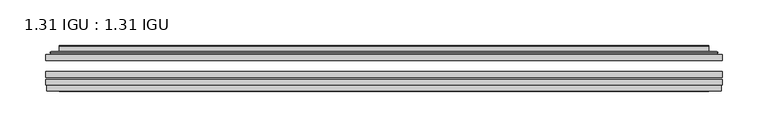
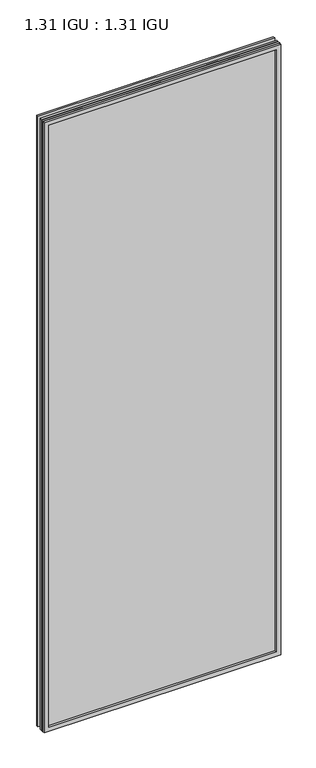
"""IFC4 building model written with IfcOpenShell, lengths in millimetres: plate geometry, 1.31 IGU : 1.31 IGU."""

import ifcopenshell
import ifcopenshell.guid

model = None  # the IFC model being written
_history = None  # IfcOwnerHistory: only IFC2X3 demands one
_inside = {}  # id of a spatial element -> (the spatial element, [elements in it])
_under = {}  # id of a project, library or spatial element -> (it, [spatial elements below it])
_declared = {}  # id of a project -> (the project, [libraries it declares])
_typed = {}  # id of a type object -> (the type object, [elements of that type])
_made_of = {}  # id of a material, layer set ... -> (it, [elements and type objects made of it])


def new_model(schema):
    """Start an empty IFC model of exactly this schema.

    Asked for "IFC4X3", IfcOpenShell would pick the latest addendum, in which some entities
    have other attributes; the version numbers below select the first issue.
    IFC2X3 requires an IfcOwnerHistory on every rooted entity: one is made here for all.
    """
    global model, _history
    if schema == "IFC4X3":
        model = ifcopenshell.file(schema_version=(4, 3, 0, 0))
    else:
        model = ifcopenshell.file(schema=schema)
    _inside.clear()
    _under.clear()
    _declared.clear()
    _typed.clear()
    _made_of.clear()
    _history = None
    if model.schema == "IFC2X3":
        org = make("IfcOrganization", Name="unknown")
        user = make(
            "IfcPersonAndOrganization",
            ThePerson=make("IfcPerson", FamilyName="unknown"),
            TheOrganization=org,
        )
        app = make(
            "IfcApplication",
            ApplicationDeveloper=org,
            Version="unknown",
            ApplicationFullName="unknown",
            ApplicationIdentifier="unknown",
        )
        _history = make(
            "IfcOwnerHistory",
            OwningUser=user,
            OwningApplication=app,
            ChangeAction="ADDED",
            CreationDate=0,
        )
    return model


def make(cls, **values):
    """One entity of the class cls with the attributes given. An attribute that is None is left unset."""
    return model.create_entity(
        cls, **{name: value for name, value in values.items() if value is not None}
    )


def rooted(cls, **values):
    """An entity with a GlobalId (a new one), such as an element, a storey or a relation."""
    return make(cls, GlobalId=ifcopenshell.guid.new(), OwnerHistory=_history, **values)


def si_unit(unit_type, name, prefix=None):
    """IfcSIUnit, for example si_unit("LENGTHUNIT", "METRE", prefix="MILLI")."""
    return make("IfcSIUnit", UnitType=unit_type, Prefix=prefix, Name=name)


def assignment(units):
    """IfcUnitAssignment: the units of a project."""
    return None if units is None else make("IfcUnitAssignment", Units=units)


def point(xyz):
    """IfcCartesianPoint."""
    return None if xyz is None else make("IfcCartesianPoint", Coordinates=xyz)


def direction(xyz):
    """IfcDirection."""
    return None if xyz is None else make("IfcDirection", DirectionRatios=xyz)


def frame(location, z_axis=None, x_axis=None):
    """IfcAxis2Placement3D, a coordinate frame: its origin and axes. An axis left out is left unset."""
    return make(
        "IfcAxis2Placement3D",
        Location=point(location),
        Axis=direction(z_axis),
        RefDirection=direction(x_axis),
    )


def origin():
    """The frame at (0, 0, 0) with its axes left unset."""
    return frame((0.0, 0.0, 0.0))


def place(relative_to, where):
    """IfcLocalPlacement: puts the frame where relative to a parent placement (None: the world)."""
    return make(
        "IfcLocalPlacement", PlacementRelTo=relative_to, RelativePlacement=where
    )


def context(
    kind, dimensions, precision=None, world=None, true_north=None, identifier=None
):
    """IfcGeometricRepresentationContext, for example the 3D "Model" context."""
    return make(
        "IfcGeometricRepresentationContext",
        ContextIdentifier=identifier,
        ContextType=kind,
        CoordinateSpaceDimension=dimensions,
        Precision=precision,
        WorldCoordinateSystem=world,
        TrueNorth=true_north,
    )


def project(units=None, contexts=None):
    """IfcProject with its units and contexts."""
    return rooted(
        "IfcProject",
        Name="project",
        RepresentationContexts=contexts,
        UnitsInContext=assignment(units),
    )


def spatial(cls, under=None, at=None, **own):
    """A site, building, storey or space (cls), placed at a placement, below another one or the project."""
    s = rooted(cls, ObjectPlacement=at, **own)
    if under is not None:
        _under.setdefault(under.id(), (under, []))[1].append(s)
    return s


def polyline(points):
    """IfcPolyline through the points."""
    return make("IfcPolyline", Points=[point(p) for p in points])


def ellipse_curve(where, semi_axis1, semi_axis2):
    """IfcEllipse in the frame where."""
    return make(
        "IfcEllipse", Position=where, SemiAxis1=semi_axis1, SemiAxis2=semi_axis2
    )


def outline(outer, holes=None, kind="AREA"):
    """IfcArbitraryClosedProfileDef: a profile drawn as a closed curve; with holes, ...WithVoids."""
    if holes is None:
        return make("IfcArbitraryClosedProfileDef", ProfileType=kind, OuterCurve=outer)
    return make(
        "IfcArbitraryProfileDefWithVoids",
        ProfileType=kind,
        OuterCurve=outer,
        InnerCurves=holes,
    )


def extrude(swept, where, along, depth):
    """IfcExtrudedAreaSolid: the profile swept, set in the frame where, extruded along a direction by depth."""
    return make(
        "IfcExtrudedAreaSolid",
        SweptArea=swept,
        Position=where,
        ExtrudedDirection=direction(along),
        Depth=depth,
    )


def faces_of(points, faces, orient=None, outer=None):
    """IfcFace entities. A face is a list of loops; a loop is a list of indices into points, from 0.

    orient and outer hold one flag for each loop. By default every Orientation is true, the
    first loop of a face is its IfcFaceOuterBound and the others are IfcFaceBound.
    """
    made = []
    for i, loops in enumerate(faces):
        bounds = []
        for j, loop in enumerate(loops):
            is_outer = j == 0 if outer is None else outer[i][j]
            bounds.append(
                make(
                    "IfcFaceOuterBound" if is_outer else "IfcFaceBound",
                    Bound=make("IfcPolyLoop", Polygon=[points[k] for k in loop]),
                    Orientation=True if orient is None else orient[i][j],
                )
            )
        made.append(make("IfcFace", Bounds=bounds))
    return made


def faceted_brep(points, faces, orient=None, outer=None, voids=None):
    """IfcFacetedBrep: a solid bounded by flat faces; with voids (closed shells), ...WithVoids."""
    shared = [point(p) for p in points]
    hull = make("IfcClosedShell", CfsFaces=faces_of(shared, faces, orient, outer))
    if voids is None:
        return make("IfcFacetedBrep", Outer=hull)
    return make(
        "IfcFacetedBrepWithVoids",
        Outer=hull,
        Voids=[
            make(cls, CfsFaces=faces_of(shared, fs, o, b)) for cls, fs, o, b in voids
        ],
    )


def shape(context_of_items, identifier, shape_type, items):
    """IfcShapeRepresentation: the items that make up one representation, for example the "Body"."""
    return make(
        "IfcShapeRepresentation",
        ContextOfItems=context_of_items,
        RepresentationIdentifier=identifier,
        RepresentationType=shape_type,
        Items=items,
    )


def source(mapping_origin, context_of_items, identifier, shape_type, items):
    """IfcRepresentationMap: a shape defined once, which mapped items show again and again."""
    return make(
        "IfcRepresentationMap",
        MappingOrigin=mapping_origin,
        MappedRepresentation=shape(context_of_items, identifier, shape_type, items),
    )


def transform(
    local_origin,
    x_axis=None,
    y_axis=None,
    z_axis=None,
    scale=None,
    scale2=None,
    scale3=None,
    uniform=True,
):
    """IfcCartesianTransformationOperator3D, or its non-uniform kind. x_axis, y_axis, z_axis: its Axis1, 2, 3."""
    if uniform:
        return make(
            "IfcCartesianTransformationOperator3D",
            Axis1=direction(x_axis),
            Axis2=direction(y_axis),
            LocalOrigin=point(local_origin),
            Scale=scale,
            Axis3=direction(z_axis),
        )
    return make(
        "IfcCartesianTransformationOperator3DnonUniform",
        Axis1=direction(x_axis),
        Axis2=direction(y_axis),
        LocalOrigin=point(local_origin),
        Scale=scale,
        Axis3=direction(z_axis),
        Scale2=scale2,
        Scale3=scale3,
    )


def mapped(mapping_source, mapping_target):
    """IfcMappedItem: shows the shape of a source again, moved by a transform."""
    return make(
        "IfcMappedItem", MappingSource=mapping_source, MappingTarget=mapping_target
    )


def made_of(thing, what):
    """Note that an element or type object is made of a material, layer set ...; save() writes the relation."""
    if what is not None:
        _made_of.setdefault(what.id(), (what, []))[1].append(thing)
    return thing


def element(
    cls,
    number,
    at=None,
    inside=None,
    cuts=None,
    type_object=None,
    material=None,
    context=None,
    identifier="Body",
    shape_type=None,
    held_by="IfcProductDefinitionShape",
    body=None,
    shapes=None,
    **own,
):
    """One element of the class cls, such as IfcWall. Its Tag is "e" and its number.

    at: its placement. inside: the storey or other place that contains it. cuts: it is an
    opening in that element (IfcRelVoidsElement). A single representation is given by context,
    identifier, shape_type and body (its items); several are given by shapes. held_by: the class
    of the entity that holds the representations. save() writes the other relations.
    """
    e = rooted(cls, Tag="e%d" % number, ObjectPlacement=at, **own)
    if body is not None:
        shapes = [shape(context, identifier, shape_type, body)]
    if shapes is not None:
        e.Representation = make(held_by, Representations=shapes)
    if inside is not None:
        _inside.setdefault(inside.id(), (inside, []))[1].append(e)
    if cuts is not None:
        rooted(
            "IfcRelVoidsElement", RelatingBuildingElement=cuts, RelatedOpeningElement=e
        )
    if type_object is not None:
        _typed.setdefault(type_object.id(), (type_object, []))[1].append(e)
    return made_of(e, material)


def aggregate(whole, parts):
    """IfcRelAggregates: a whole, such as a stair, and the parts it consists of."""
    return rooted("IfcRelAggregates", RelatingObject=whole, RelatedObjects=parts)


def save(model, path):
    """Write the relations noted so far, then the file.

    IfcRelAggregates (storeys below a building ...), IfcRelContainedInSpatialStructure (elements
    in a storey), IfcRelDefinesByType, IfcRelAssociatesMaterial and IfcRelDeclares: one each for
    every whole, place, type object, material and project.
    """
    for whole, parts in _under.values():
        aggregate(whole, parts)
    for where, things in _inside.values():
        rooted(
            "IfcRelContainedInSpatialStructure",
            RelatedElements=things,
            RelatingStructure=where,
        )
    for kind, things in _typed.values():
        rooted("IfcRelDefinesByType", RelatedObjects=things, RelatingType=kind)
    for what, things in _made_of.values():
        rooted("IfcRelAssociatesMaterial", RelatedObjects=things, RelatingMaterial=what)
    for by, libraries in _declared.values():
        rooted("IfcRelDeclares", RelatingContext=by, RelatedDefinitions=libraries)
    model.write(path)


def plane_surface(at):
    """IfcPlane: the flat surface through the origin of the frame at, square to its z axis."""
    return make("IfcPlane", Position=at)


def cylinder_surface(at, radius):
    """IfcCylindricalSurface: all points at the distance radius from the z axis of the frame at."""
    return make("IfcCylindricalSurface", Position=at, Radius=radius)


def advanced_brep(points, edges, surfaces, faces):
    """IfcAdvancedBrep: a solid bounded by faces that lie on surfaces and meet in shared edges.

    An edge is (start, end): straight between two places in points (the first is 0);
    or (start, end, curve); or (start, end, curve, False) where it runs against its curve.
    A face is (place in surfaces, loops), or (place, loops, False) where it looks against
    its surface's normal. A loop lists edges by number (the first is 1), with a minus sign
    where the edge is run from its end to its start. The first loop is the outer one.
    """
    corners = [point(p) for p in points]
    vertices = [make("IfcVertexPoint", VertexGeometry=c) for c in corners]
    made = []
    for start, end, *more in edges:
        made.append(
            make(
                "IfcEdgeCurve",
                EdgeStart=vertices[start],
                EdgeEnd=vertices[end],
                EdgeGeometry=more[0] if more else make("IfcPolyline", Points=[corners[start], corners[end]]),
                SameSense=more[1] if len(more) > 1 else True,
            )
        )
    hull = []
    for where, loops, *sense in faces:
        bounds = []
        for j, loop in enumerate(loops):
            ring = [make("IfcOrientedEdge", EdgeElement=made[abs(k) - 1], Orientation=k > 0) for k in loop]
            bounds.append(
                make(
                    "IfcFaceOuterBound" if j == 0 else "IfcFaceBound",
                    Bound=make("IfcEdgeLoop", EdgeList=ring),
                    Orientation=True,
                )
            )
        hull.append(make("IfcAdvancedFace", Bounds=bounds, FaceSurface=surfaces[where], SameSense=sense[0] if sense else True))
    return make("IfcAdvancedBrep", Outer=make("IfcClosedShell", CfsFaces=hull))


def plate_1_31_igu_1_31_igu_3b6ea795(model_context):
    return source(origin(), model_context, "Body", "SolidModel", [
        extrude(outline(polyline([(368.3609066, -63.59525), (368.3609066, -69.94525), (-368.3467316, -69.94525), (-368.3467316, -63.59525), (368.3609066, -63.59525)])), frame((0.0, 0.0, -14.2875), z_axis=(0.0, 0.0, 1.0), x_axis=(1.0, 0.0, 0.0)), (0.0, 0.0, 1.0), 2009.8015278),
        extrude(outline(polyline([(-368.3467316, -78.58125), (-368.3467316, -72.230745), (368.3609066, -72.230745), (368.3609066, -78.58125), (-368.3467316, -78.58125)])), frame((0.0, 0.0, -14.2875), z_axis=(0.0, 0.0, 1.0), x_axis=(1.0, 0.0, 0.0)), (0.0, 0.0, 1.0), 2009.8015278),
        extrude(outline(polyline([(368.3609066, -45.25645), (368.3609066, -51.60645), (-368.3467316, -51.60645), (-368.3467316, -45.25645), (368.3609066, -45.25645)])), frame((0.0, 0.0, -14.2875), z_axis=(0.0, 0.0, 1.0), x_axis=(1.0, 0.0, 0.0)), (0.0, 0.0, 1.0), 2009.8015278),
        faceted_brep([(-367.6465459, -84.93125, 1994.8100441), (-367.6465459, -78.58125, 1994.8100441), (-367.6465459, -78.58125, -13.5873142), (-367.6465459, -84.93125, -13.5873142), (367.6465459, -78.58125, -13.5873142), (367.6465459, -84.93125, -13.5873142), (367.6465459, -78.58125, 1994.8100441), (367.6465459, -84.93125, 1994.8100441), (-353.1614875, -78.58125, 0.8977441), (353.1614875, -78.58125, 0.8977441), (353.1614875, -78.58125, 1980.3249858), (-353.1614875, -78.58125, 1980.3249858), (-354.0539218, -84.93125, 1981.2174201), (354.0539218, -84.93125, 1981.2174201), (354.0539218, -84.93125, 0.0053098), (-354.0539218, -84.93125, 0.0053098)], [[[0, 1, 2, 3]], [[3, 2, 4, 5]], [[5, 4, 6, 7]], [[1, 6, 4, 2], [8, 9, 10, 11]], [[7, 6, 1, 0]], [[3, 5, 7, 0], [12, 13, 14, 15]], [[11, 12, 15, 8]], [[8, 15, 14, 9]], [[9, 14, 13, 10]], [[10, 13, 12, 11]]]),
        advanced_brep(
        [(-361.1054507, -45.25645, 1988.2689489), (-363.459656, -43.2667833, 1990.6231543), (-363.459656, -43.2667833, -9.4004244), (-361.1054507, -45.25645, -7.046219), (-352.0311255, -41.416413, 1979.1946238), (-347.0962937, -45.25645, 1974.2597919), (-347.0962937, -45.25645, 6.9629379), (-352.0311255, -41.416413, 2.0281061), (-353.0631533, -36.0191819, 1980.2266515), (-353.0631533, -36.0191819, 0.9960783), (-354.0538101, -35.6202069, 1981.2173083), (-354.0538101, -35.6202069, 0.0054216), (-354.0538101, -42.08145, 1981.2173083), (-354.0538101, -42.08145, 0.0054216), (-362.4578665, -42.08145, 1989.6213648), (-362.4578665, -42.08145, -8.3986349), (363.459656, -43.2667833, -9.4004244), (361.1054507, -45.25645, -7.046219), (347.0962937, -45.25645, 6.9629379), (352.0311255, -41.416413, 2.0281061), (353.0631533, -36.0191819, 0.9960783), (354.0538101, -35.6202069, 0.0054216), (354.0538101, -42.08145, 0.0054216), (362.4578665, -42.08145, -8.3986349), (363.459656, -43.2667833, 1990.6231543), (361.1054507, -45.25645, 1988.2689489), (347.0962937, -45.25645, 1974.2597919), (352.0311255, -41.416413, 1979.1946238), (353.0631533, -36.0191819, 1980.2266515), (354.0538101, -35.6202069, 1981.2173083), (354.0538101, -42.08145, 1981.2173083), (362.4578665, -42.08145, 1989.6213648)],
        [
            (0, 1, ellipse_curve(frame((-361.1054507, -42.86885, 1988.2689489), z_axis=(-0.7071067811865475, 0.0, -0.7071067811865475), x_axis=(-0.7071067811865474, 0.0, 0.7071067811865476)), 3.3765763, 2.3876)),
            (1, 2),
            (2, 3, ellipse_curve(frame((-361.1054507, -42.86885, -7.046219), z_axis=(-0.7071067811865475, 0.0, 0.7071067811865475), x_axis=(0.7071067811865474, 0.0, 0.7071067811865476)), 3.3765763, 2.3876)),
            (3, 0),
            (4, 5),
            (5, 6),
            (6, 7),
            (7, 4),
            (8, 4),
            (7, 9),
            (9, 8),
            (10, 8, ellipse_curve(frame((-353.6868535, -36.1384423, 1980.8503517), z_axis=(-0.7071067811865475, 0.0, -0.7071067811865475), x_axis=(-0.7071067811865474, 0.0, 0.7071067811865476)), 0.8980256, 0.635)),
            (9, 11, ellipse_curve(frame((-353.6868535, -36.1384423, 0.3723781), z_axis=(-0.7071067811865475, 0.0, 0.7071067811865475), x_axis=(0.7071067811865474, 0.0, 0.7071067811865476)), 0.8980256, 0.635)),
            (11, 10),
            (12, 10),
            (11, 13),
            (13, 12),
            (1, 14, ellipse_curve(frame((-362.4578665, -43.09745, 1989.6213648), z_axis=(-0.7071067811865475, 0.0, -0.7071067811865475), x_axis=(-0.7071067811865474, 0.0, 0.7071067811865476)), 1.436841, 1.016)),
            (14, 15),
            (15, 2, ellipse_curve(frame((-362.4578665, -43.09745, -8.3986349), z_axis=(-0.7071067811865475, 0.0, 0.7071067811865475), x_axis=(0.7071067811865474, 0.0, 0.7071067811865476)), 1.436841, 1.016)),
            (2, 16),
            (16, 17, ellipse_curve(frame((361.1054507, -42.86885, -7.046219), z_axis=(-0.7071067811865475, 0.0, -0.7071067811865475), x_axis=(-0.7071067811865476, 0.0, 0.7071067811865474)), 3.3765763, 2.3876)),
            (17, 3),
            (6, 18),
            (18, 19),
            (19, 7),
            (19, 20),
            (20, 9),
            (20, 21, ellipse_curve(frame((353.6868535, -36.1384423, 0.3723781), z_axis=(-0.7071067811865475, 0.0, -0.7071067811865475), x_axis=(-0.7071067811865476, 0.0, 0.7071067811865474)), 0.8980256, 0.635)),
            (21, 11),
            (21, 22),
            (22, 13),
            (15, 23),
            (23, 16, ellipse_curve(frame((362.4578665, -43.09745, -8.3986349), z_axis=(-0.7071067811865475, 0.0, -0.7071067811865475), x_axis=(-0.7071067811865476, 0.0, 0.7071067811865474)), 1.436841, 1.016)),
            (16, 24),
            (24, 25, ellipse_curve(frame((361.1054507, -42.86885, 1988.2689489), z_axis=(0.7071067811865475, 0.0, -0.7071067811865475), x_axis=(-0.7071067811865474, 0.0, -0.7071067811865476)), 3.3765763, 2.3876)),
            (25, 17),
            (18, 26),
            (26, 27),
            (27, 19),
            (27, 28),
            (28, 20),
            (28, 29, ellipse_curve(frame((353.6868535, -36.1384423, 1980.8503517), z_axis=(0.7071067811865475, 0.0, -0.7071067811865475), x_axis=(-0.7071067811865474, 0.0, -0.7071067811865476)), 0.8980256, 0.635)),
            (29, 21),
            (29, 30),
            (30, 22),
            (23, 31),
            (31, 24, ellipse_curve(frame((362.4578665, -43.09745, 1989.6213648), z_axis=(0.7071067811865475, 0.0, -0.7071067811865475), x_axis=(-0.7071067811865474, 0.0, -0.7071067811865476)), 1.436841, 1.016)),
            (24, 1),
            (0, 25),
            (5, 26),
            (4, 27),
            (8, 28),
            (10, 29),
            (12, 30),
            (14, 31),
        ],
        [
            cylinder_surface(frame((-361.1054507, -42.86885, 2012.9727299), z_axis=(0.0, 0.0, 1.0), x_axis=(-1.0, 0.0, 0.0)), 2.3876),
            plane_surface(frame((-347.0962937, -45.25645, 1974.2597919), z_axis=(0.6141233906514794, 0.7892100234124821, 0.0), x_axis=(0.0, 0.0, -1.0))),
            plane_surface(frame((-352.0311255, -41.416413, 1979.1946238), z_axis=(0.9822050625507729, 0.18781164793386074, 0.0), x_axis=(0.0, 0.0, -1.0))),
            cylinder_surface(frame((-353.6868535, -36.1384423, 2012.9727299), z_axis=(0.0, 0.0, 1.0), x_axis=(-1.0, 0.0, 0.0)), 0.635),
            plane_surface(frame((-354.0538101, -35.6202069, 1981.2173083), z_axis=(-1.0, 0.0, 0.0), x_axis=(0.0, 0.0, -1.0))),
            cylinder_surface(frame((-362.4578665, -43.09745, 2012.9727299), z_axis=(0.0, 0.0, 1.0), x_axis=(-1.0, 0.0, 0.0)), 1.016),
            cylinder_surface(frame((-385.8092316, -42.86885, -7.046219), z_axis=(-1.0, 0.0, 0.0), x_axis=(0.0, 0.0, -1.0)), 2.3876),
            plane_surface(frame((-347.0962937, -45.25645, 6.9629379), z_axis=(0.0, 0.7892100234124841, 0.6141233906514768), x_axis=(1.0, 0.0, 0.0))),
            plane_surface(frame((-352.0311255, -41.416413, 2.0281061), z_axis=(0.0, 0.18781164793386393, 0.9822050625507723), x_axis=(1.0, 0.0, 0.0))),
            cylinder_surface(frame((-385.8092316, -36.1384423, 0.3723781), z_axis=(-1.0, 0.0, 0.0), x_axis=(0.0, 0.0, -1.0)), 0.635),
            plane_surface(frame((-354.0538101, -35.6202069, 0.0054216), z_axis=(0.0, 0.0, -1.0), x_axis=(1.0, 0.0, 0.0))),
            cylinder_surface(frame((-385.8092316, -43.09745, -8.3986349), z_axis=(-1.0, 0.0, 0.0), x_axis=(0.0, 0.0, -1.0)), 1.016),
            cylinder_surface(frame((361.1054507, -42.86885, -31.75), z_axis=(0.0, 0.0, -1.0), x_axis=(1.0, 0.0, 0.0)), 2.3876),
            plane_surface(frame((347.0962937, -45.25645, 6.9629379), z_axis=(-0.6141233906514743, 0.7892100234124861, 0.0), x_axis=(0.0, 0.0, 1.0))),
            plane_surface(frame((352.0311255, -41.416413, 2.0281061), z_axis=(-0.9822050625507718, 0.18781164793386712, 0.0), x_axis=(0.0, 0.0, 1.0))),
            cylinder_surface(frame((353.6868535, -36.1384423, -31.75), z_axis=(0.0, 0.0, -1.0), x_axis=(1.0, 0.0, 0.0)), 0.635),
            plane_surface(frame((354.0538101, -35.6202069, 0.0054216), z_axis=(1.0, 0.0, 0.0), x_axis=(0.0, 0.0, 1.0))),
            cylinder_surface(frame((362.4578665, -43.09745, -31.75), z_axis=(0.0, 0.0, -1.0), x_axis=(1.0, 0.0, 0.0)), 1.016),
            cylinder_surface(frame((385.8092316, -42.86885, 1988.2689489), z_axis=(1.0, 0.0, 0.0), x_axis=(0.0, 0.0, 1.0)), 2.3876),
            plane_surface(frame((361.1054507, -45.25645, 1988.2689489), z_axis=(0.0, -1.0, 0.0), x_axis=(-1.0, 0.0, 0.0))),
            plane_surface(frame((347.0962937, -45.25645, 1974.2597919), z_axis=(0.0, 0.7892100234124841, -0.6141233906514768), x_axis=(-1.0, 0.0, 0.0))),
            plane_surface(frame((352.0311255, -41.416413, 1979.1946238), z_axis=(0.0, 0.18781164793386393, -0.9822050625507723), x_axis=(-1.0, 0.0, 0.0))),
            cylinder_surface(frame((385.8092316, -36.1384423, 1980.8503517), z_axis=(1.0, 0.0, 0.0), x_axis=(0.0, 0.0, 1.0)), 0.635),
            plane_surface(frame((354.0538101, -35.6202069, 1981.2173083), z_axis=(0.0, 0.0, 1.0), x_axis=(-1.0, 0.0, 0.0))),
            plane_surface(frame((354.0538101, -42.08145, 1981.2173083), z_axis=(0.0, 1.0, 0.0), x_axis=(-1.0, 0.0, 0.0))),
            cylinder_surface(frame((385.8092316, -43.09745, 1989.6213648), z_axis=(1.0, 0.0, 0.0), x_axis=(0.0, 0.0, 1.0)), 1.016),
        ],
        [
            (0, [[1, 2, 3, 4]]),
            (1, [[5, 6, 7, 8]]),
            (2, [[9, -8, 10, 11]]),
            (3, [[12, -11, 13, 14]]),
            (4, [[15, -14, 16, 17]]),
            (5, [[18, 19, 20, -2]]),
            (6, [[-3, 21, 22, 23]]),
            (7, [[-7, 24, 25, 26]]),
            (8, [[-10, -26, 27, 28]]),
            (9, [[-13, -28, 29, 30]]),
            (10, [[-16, -30, 31, 32]]),
            (11, [[-20, 33, 34, -21]]),
            (12, [[-22, 35, 36, 37]]),
            (13, [[-25, 38, 39, 40]]),
            (14, [[-27, -40, 41, 42]]),
            (15, [[-29, -42, 43, 44]]),
            (16, [[-31, -44, 45, 46]]),
            (17, [[-34, 47, 48, -35]]),
            (18, [[-36, 49, -1, 50]]),
            (19, [[-23, -37, -50, -4], [51, -38, -24, -6]]),
            (20, [[-39, -51, -5, 52]]),
            (21, [[-41, -52, -9, 53]]),
            (22, [[-43, -53, -12, 54]]),
            (23, [[-45, -54, -15, 55]]),
            (24, [[56, -47, -33, -19], [-32, -46, -55, -17]]),
            (25, [[-48, -56, -18, -49]]),
        ],
    ),
    ])


if __name__ == "__main__":
    model = new_model("IFC4")
    model_context = context("Model", 3, world=origin())
    ifc_project = project(units=[si_unit("LENGTHUNIT", "METRE", prefix="MILLI")], contexts=[model_context])
    site = spatial("IfcSite", under=ifc_project)
    building = spatial("IfcBuilding", under=site)
    placement = place(None, origin())
    plate_1_31_igu_1_31_igu_shape = plate_1_31_igu_1_31_igu_3b6ea795(model_context)
    element("IfcPlate", 1, ObjectType="1.31 IGU : 1.31 IGU", at=placement, inside=building, context=model_context, shape_type="MappedRepresentation", body=[
        mapped(plate_1_31_igu_1_31_igu_shape, transform((0.0, 0.0, 0.0), x_axis=(1.0, 0.0, 0.0), y_axis=(0.0, 1.0, 0.0), z_axis=(0.0, 0.0, 1.0))),
    ])
    save(model, "model.ifc")
